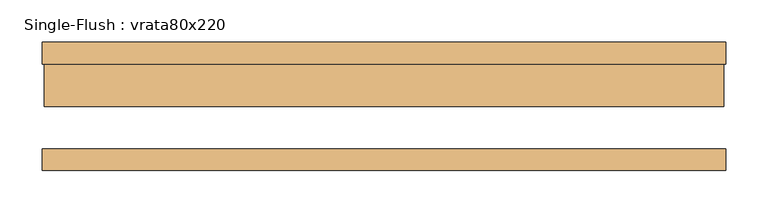
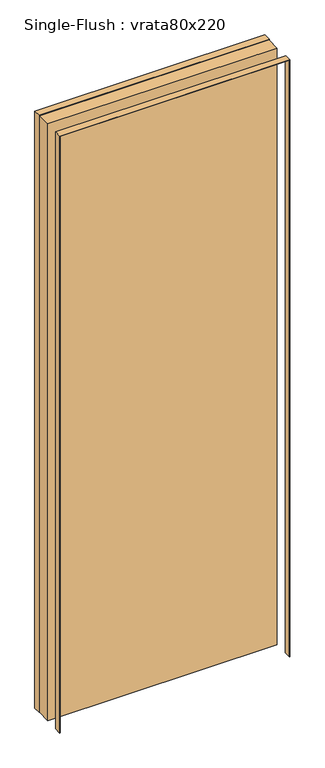
"""IFC4 building model written with IfcOpenShell, lengths in millimetres: door geometry, Single-Flush : vrata80x220."""

from ifc_helpers import new_model, si_unit, frame, origin, origin_with_axes, place, context, project, spatial, polyline, outline, extrude, source, transform, mapped, element, save


def single_flush_vrata80x220_33ab5699(model_context):
    return source(origin(), model_context, "Body", "SweptSolid", [
        extrude(outline(polyline([(2202.0, -402.0), (0.0, -402.0), (0.0, -400.0), (2200.0, -400.0), (2200.0, 400.0), (0.0, 400.0), (0.0, 402.0), (2202.0, 402.0), (2202.0, -402.0)])), frame((0.0, 50.0, 0.0), z_axis=(0.0, 1.0, 0.0), x_axis=(0.0, 0.0, 1.0)), (0.0, 0.0, 1.0), 25.4),
        extrude(outline(polyline([(2202.0, 402.0), (2202.0, -402.0), (0.0, -402.0), (0.0, -400.0), (2200.0, -400.0), (2200.0, 400.0), (0.0, 400.0), (0.0, 402.0), (2202.0, 402.0)])), frame((0.0, -75.4, 0.0), z_axis=(0.0, 1.0, 0.0), x_axis=(0.0, 0.0, 1.0)), (0.0, 0.0, 1.0), 25.4),
        extrude(outline(polyline([(400.0, 0.0), (-400.0, 0.0), (-400.0, 50.0), (400.0, 50.0), (400.0, 0.0)])), origin_with_axes(), (0.0, 0.0, 1.0), 2200.0),
    ])


if __name__ == "__main__":
    model = new_model("IFC4")
    model_context = context("Model", 3, world=origin())
    ifc_project = project(units=[si_unit("LENGTHUNIT", "METRE", prefix="MILLI")], contexts=[model_context])
    site = spatial("IfcSite", under=ifc_project)
    building = spatial("IfcBuilding", under=site)
    placement = place(None, origin())
    single_flush_vrata80x220_shape = single_flush_vrata80x220_33ab5699(model_context)
    element("IfcDoor", 1, ObjectType="Single-Flush : vrata80x220", at=placement, inside=building, context=model_context, shape_type="MappedRepresentation", body=[
        mapped(single_flush_vrata80x220_shape, transform((0.0, 0.0, 0.0), x_axis=(1.0, 0.0, 0.0), y_axis=(0.0, 1.0, 0.0), z_axis=(0.0, 0.0, 1.0))),
    ])
    save(model, "model.ifc")
